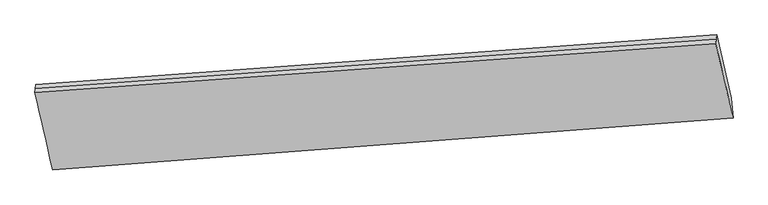
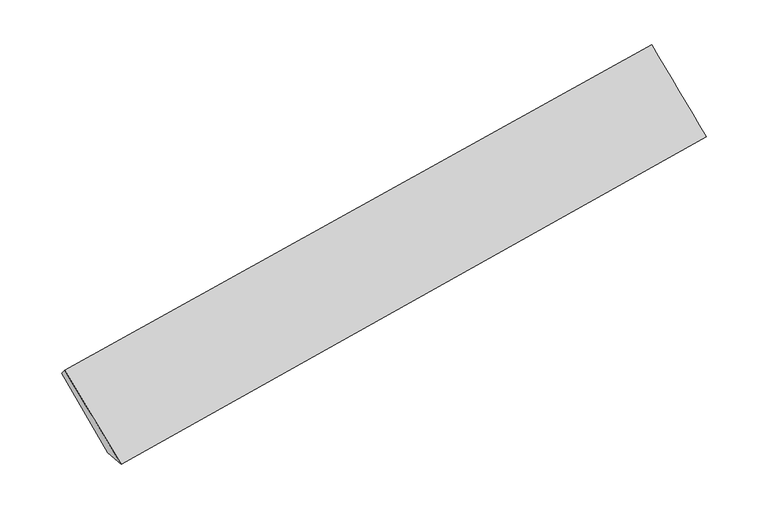
"""IFC4 building model written with IfcOpenShell, lengths in millimetres: proxy geometry."""

import ifcopenshell
import ifcopenshell.guid

model = None  # the IFC model being written
_history = None  # IfcOwnerHistory: only IFC2X3 demands one
_inside = {}  # id of a spatial element -> (the spatial element, [elements in it])
_under = {}  # id of a project, library or spatial element -> (it, [spatial elements below it])
_declared = {}  # id of a project -> (the project, [libraries it declares])
_typed = {}  # id of a type object -> (the type object, [elements of that type])
_made_of = {}  # id of a material, layer set ... -> (it, [elements and type objects made of it])


def new_model(schema):
    """Start an empty IFC model of exactly this schema.

    Asked for "IFC4X3", IfcOpenShell would pick the latest addendum, in which some entities
    have other attributes; the version numbers below select the first issue.
    IFC2X3 requires an IfcOwnerHistory on every rooted entity: one is made here for all.
    """
    global model, _history
    if schema == "IFC4X3":
        model = ifcopenshell.file(schema_version=(4, 3, 0, 0))
    else:
        model = ifcopenshell.file(schema=schema)
    _inside.clear()
    _under.clear()
    _declared.clear()
    _typed.clear()
    _made_of.clear()
    _history = None
    if model.schema == "IFC2X3":
        org = make("IfcOrganization", Name="unknown")
        user = make(
            "IfcPersonAndOrganization",
            ThePerson=make("IfcPerson", FamilyName="unknown"),
            TheOrganization=org,
        )
        app = make(
            "IfcApplication",
            ApplicationDeveloper=org,
            Version="unknown",
            ApplicationFullName="unknown",
            ApplicationIdentifier="unknown",
        )
        _history = make(
            "IfcOwnerHistory",
            OwningUser=user,
            OwningApplication=app,
            ChangeAction="ADDED",
            CreationDate=0,
        )
    return model


def make(cls, **values):
    """One entity of the class cls with the attributes given. An attribute that is None is left unset."""
    return model.create_entity(
        cls, **{name: value for name, value in values.items() if value is not None}
    )


def rooted(cls, **values):
    """An entity with a GlobalId (a new one), such as an element, a storey or a relation."""
    return make(cls, GlobalId=ifcopenshell.guid.new(), OwnerHistory=_history, **values)


def si_unit(unit_type, name, prefix=None):
    """IfcSIUnit, for example si_unit("LENGTHUNIT", "METRE", prefix="MILLI")."""
    return make("IfcSIUnit", UnitType=unit_type, Prefix=prefix, Name=name)


def assignment(units):
    """IfcUnitAssignment: the units of a project."""
    return None if units is None else make("IfcUnitAssignment", Units=units)


def point(xyz):
    """IfcCartesianPoint."""
    return None if xyz is None else make("IfcCartesianPoint", Coordinates=xyz)


def direction(xyz):
    """IfcDirection."""
    return None if xyz is None else make("IfcDirection", DirectionRatios=xyz)


def frame(location, z_axis=None, x_axis=None):
    """IfcAxis2Placement3D, a coordinate frame: its origin and axes. An axis left out is left unset."""
    return make(
        "IfcAxis2Placement3D",
        Location=point(location),
        Axis=direction(z_axis),
        RefDirection=direction(x_axis),
    )


def origin():
    """The frame at (0, 0, 0) with its axes left unset."""
    return frame((0.0, 0.0, 0.0))


def place(relative_to, where):
    """IfcLocalPlacement: puts the frame where relative to a parent placement (None: the world)."""
    return make(
        "IfcLocalPlacement", PlacementRelTo=relative_to, RelativePlacement=where
    )


def context(
    kind, dimensions, precision=None, world=None, true_north=None, identifier=None
):
    """IfcGeometricRepresentationContext, for example the 3D "Model" context."""
    return make(
        "IfcGeometricRepresentationContext",
        ContextIdentifier=identifier,
        ContextType=kind,
        CoordinateSpaceDimension=dimensions,
        Precision=precision,
        WorldCoordinateSystem=world,
        TrueNorth=true_north,
    )


def project(units=None, contexts=None):
    """IfcProject with its units and contexts."""
    return rooted(
        "IfcProject",
        Name="project",
        RepresentationContexts=contexts,
        UnitsInContext=assignment(units),
    )


def spatial(cls, under=None, at=None, **own):
    """A site, building, storey or space (cls), placed at a placement, below another one or the project."""
    s = rooted(cls, ObjectPlacement=at, **own)
    if under is not None:
        _under.setdefault(under.id(), (under, []))[1].append(s)
    return s


def shape(context_of_items, identifier, shape_type, items):
    """IfcShapeRepresentation: the items that make up one representation, for example the "Body"."""
    return make(
        "IfcShapeRepresentation",
        ContextOfItems=context_of_items,
        RepresentationIdentifier=identifier,
        RepresentationType=shape_type,
        Items=items,
    )


def source(mapping_origin, context_of_items, identifier, shape_type, items):
    """IfcRepresentationMap: a shape defined once, which mapped items show again and again."""
    return make(
        "IfcRepresentationMap",
        MappingOrigin=mapping_origin,
        MappedRepresentation=shape(context_of_items, identifier, shape_type, items),
    )


def transform(
    local_origin,
    x_axis=None,
    y_axis=None,
    z_axis=None,
    scale=None,
    scale2=None,
    scale3=None,
    uniform=True,
):
    """IfcCartesianTransformationOperator3D, or its non-uniform kind. x_axis, y_axis, z_axis: its Axis1, 2, 3."""
    if uniform:
        return make(
            "IfcCartesianTransformationOperator3D",
            Axis1=direction(x_axis),
            Axis2=direction(y_axis),
            LocalOrigin=point(local_origin),
            Scale=scale,
            Axis3=direction(z_axis),
        )
    return make(
        "IfcCartesianTransformationOperator3DnonUniform",
        Axis1=direction(x_axis),
        Axis2=direction(y_axis),
        LocalOrigin=point(local_origin),
        Scale=scale,
        Axis3=direction(z_axis),
        Scale2=scale2,
        Scale3=scale3,
    )


def mapped(mapping_source, mapping_target):
    """IfcMappedItem: shows the shape of a source again, moved by a transform."""
    return make(
        "IfcMappedItem", MappingSource=mapping_source, MappingTarget=mapping_target
    )


def made_of(thing, what):
    """Note that an element or type object is made of a material, layer set ...; save() writes the relation."""
    if what is not None:
        _made_of.setdefault(what.id(), (what, []))[1].append(thing)
    return thing


def element(
    cls,
    number,
    at=None,
    inside=None,
    cuts=None,
    type_object=None,
    material=None,
    context=None,
    identifier="Body",
    shape_type=None,
    held_by="IfcProductDefinitionShape",
    body=None,
    shapes=None,
    **own,
):
    """One element of the class cls, such as IfcWall. Its Tag is "e" and its number.

    at: its placement. inside: the storey or other place that contains it. cuts: it is an
    opening in that element (IfcRelVoidsElement). A single representation is given by context,
    identifier, shape_type and body (its items); several are given by shapes. held_by: the class
    of the entity that holds the representations. save() writes the other relations.
    """
    e = rooted(cls, Tag="e%d" % number, ObjectPlacement=at, **own)
    if body is not None:
        shapes = [shape(context, identifier, shape_type, body)]
    if shapes is not None:
        e.Representation = make(held_by, Representations=shapes)
    if inside is not None:
        _inside.setdefault(inside.id(), (inside, []))[1].append(e)
    if cuts is not None:
        rooted(
            "IfcRelVoidsElement", RelatingBuildingElement=cuts, RelatedOpeningElement=e
        )
    if type_object is not None:
        _typed.setdefault(type_object.id(), (type_object, []))[1].append(e)
    return made_of(e, material)


def aggregate(whole, parts):
    """IfcRelAggregates: a whole, such as a stair, and the parts it consists of."""
    return rooted("IfcRelAggregates", RelatingObject=whole, RelatedObjects=parts)


def save(model, path):
    """Write the relations noted so far, then the file.

    IfcRelAggregates (storeys below a building ...), IfcRelContainedInSpatialStructure (elements
    in a storey), IfcRelDefinesByType, IfcRelAssociatesMaterial and IfcRelDeclares: one each for
    every whole, place, type object, material and project.
    """
    for whole, parts in _under.values():
        aggregate(whole, parts)
    for where, things in _inside.values():
        rooted(
            "IfcRelContainedInSpatialStructure",
            RelatedElements=things,
            RelatingStructure=where,
        )
    for kind, things in _typed.values():
        rooted("IfcRelDefinesByType", RelatedObjects=things, RelatingType=kind)
    for what, things in _made_of.values():
        rooted("IfcRelAssociatesMaterial", RelatedObjects=things, RelatingMaterial=what)
    for by, libraries in _declared.values():
        rooted("IfcRelDeclares", RelatingContext=by, RelatedDefinitions=libraries)
    model.write(path)


def plane_surface(at):
    """IfcPlane: the flat surface through the origin of the frame at, square to its z axis."""
    return make("IfcPlane", Position=at)


def spline_surface(u_degree, v_degree, points, u_multiplicities, v_multiplicities, u_knots, v_knots, weights=None):
    """IfcBSplineSurfaceWithKnots; with weights, IfcRationalBSplineSurfaceWithKnots. points: one row for each step in u."""
    own = dict(
        UDegree=u_degree,
        VDegree=v_degree,
        ControlPointsList=[[point(p) for p in row] for row in points],
        SurfaceForm="UNSPECIFIED",
        UClosed=False,
        VClosed=False,
        SelfIntersect=False,
        UMultiplicities=u_multiplicities,
        VMultiplicities=v_multiplicities,
        UKnots=u_knots,
        VKnots=v_knots,
        KnotSpec="UNSPECIFIED",
    )
    if weights is None:
        return make("IfcBSplineSurfaceWithKnots", **own)
    return make("IfcRationalBSplineSurfaceWithKnots", WeightsData=weights, **own)


def advanced_brep(points, edges, surfaces, faces):
    """IfcAdvancedBrep: a solid bounded by faces that lie on surfaces and meet in shared edges.

    An edge is (start, end): straight between two places in points (the first is 0);
    or (start, end, curve); or (start, end, curve, False) where it runs against its curve.
    A face is (place in surfaces, loops), or (place, loops, False) where it looks against
    its surface's normal. A loop lists edges by number (the first is 1), with a minus sign
    where the edge is run from its end to its start. The first loop is the outer one.
    """
    corners = [point(p) for p in points]
    vertices = [make("IfcVertexPoint", VertexGeometry=c) for c in corners]
    made = []
    for start, end, *more in edges:
        made.append(
            make(
                "IfcEdgeCurve",
                EdgeStart=vertices[start],
                EdgeEnd=vertices[end],
                EdgeGeometry=more[0] if more else make("IfcPolyline", Points=[corners[start], corners[end]]),
                SameSense=more[1] if len(more) > 1 else True,
            )
        )
    hull = []
    for where, loops, *sense in faces:
        bounds = []
        for j, loop in enumerate(loops):
            ring = [make("IfcOrientedEdge", EdgeElement=made[abs(k) - 1], Orientation=k > 0) for k in loop]
            bounds.append(
                make(
                    "IfcFaceOuterBound" if j == 0 else "IfcFaceBound",
                    Bound=make("IfcEdgeLoop", EdgeList=ring),
                    Orientation=True,
                )
            )
        hull.append(make("IfcAdvancedFace", Bounds=bounds, FaceSurface=surfaces[where], SameSense=sense[0] if sense else True))
    return make("IfcAdvancedBrep", Outer=make("IfcClosedShell", CfsFaces=hull))


def generic_models_d41e99eb(model_context):
    return source(origin(), model_context, "Body", "AdvancedBrep", [
        advanced_brep(
        [(-7620.9009042, -2102.4838482, 740.212672), (-7836.4562241, -1208.0296552, 1606.677746), (1847.9369851, -497.4651107, 3225.2912532), (2059.6958853, -1396.3631242, 2383.5246738), (-7607.7371429, -2263.1119218, 736.8340119), (2071.4510455, -1541.1763022, 2381.149273), (-7594.5733817, -2423.7399953, 733.4553518), (2083.2062058, -1685.9894802, 2378.7738721), (-7847.8796552, -1317.7454523, 1726.0168916), (1835.0645512, -621.0977851, 3359.7679477), (-7842.1679396, -1262.8875537, 1666.3473188), (1841.5007682, -559.2814479, 3292.5296004)],
        [
            (0, 1),
            (1, 2),
            (2, 3),
            (3, 0),
            (4, 0),
            (3, 5),
            (5, 4),
            (6, 4),
            (5, 7),
            (7, 6),
            (8, 6),
            (7, 9),
            (9, 8),
            (10, 8),
            (9, 11),
            (11, 10),
            (1, 10),
            (11, 2),
        ],
        [
            spline_surface(1, 1, [[(-7620.9009042, -2102.4838482, 740.212672), (2059.6958853, -1396.3631242, 2383.5246738)], [(-7836.4562241, -1208.0296552, 1606.677746), (1847.9369851, -497.4651107, 3225.2912532)]], [2, 2], [2, 2], [0.0, 1.0], [0.0, 1.0]),
            spline_surface(1, 1, [[(-7607.7371429, -2263.1119218, 736.8340119), (2071.4510455, -1541.1763022, 2381.149273)], [(-7620.9009042, -2102.4838482, 740.212672), (2059.6958853, -1396.3631242, 2383.5246738)]], [2, 2], [2, 2], [0.0, 1.0], [0.0, 1.0]),
            spline_surface(1, 1, [[(-7594.5733817, -2423.7399953, 733.4553518), (2083.2062058, -1685.9894802, 2378.7738721)], [(-7607.7371429, -2263.1119218, 736.8340119), (2071.4510455, -1541.1763022, 2381.149273)]], [2, 2], [2, 2], [0.0, 1.0], [0.0, 1.0]),
            spline_surface(1, 1, [[(-7847.8796552, -1317.7454523, 1726.0168916), (1835.0645512, -621.0977851, 3359.7679477)], [(-7594.5733817, -2423.7399953, 733.4553518), (2083.2062058, -1685.9894802, 2378.7738721)]], [2, 2], [2, 2], [0.0, 1.0], [0.0, 1.0]),
            plane_surface(frame((-7845.0237974, -1290.316503, 1696.1821052), z_axis=(-0.16400956803147854, 0.733968823972811, 0.6590831715573511), x_axis=(-0.07029320321046202, -0.6751277005766119, 0.7343442336510511))),
            plane_surface(frame((-7839.3120818, -1235.4586044, 1636.5125324), z_axis=(-0.16400956803147854, 0.7339688239728107, 0.6590831715573513), x_axis=(-0.07029320321046198, -0.6751277005766122, 0.7343442336510507))),
            plane_surface(frame((1956.4759068, -1050.2288751, 2836.8394367), z_axis=(0.9832724328157907, 0.07711005738820934, 0.1650132173921342), x_axis=(0.16892044115734847, -0.7249164805883626, -0.6678038489935416))),
            plane_surface(frame((-7724.9525413, -1762.9997377, 1201.5906654), z_axis=(-0.9832724328157387, -0.07711005738806387, -0.1650132173925112), x_axis=(0.17055679153960945, -0.7077312563319464, -0.6855850418952553))),
        ],
        [
            (0, [[1, 2, 3, 4]]),
            (1, [[5, -4, 6, 7]]),
            (2, [[8, -7, 9, 10]]),
            (3, [[11, -10, 12, 13]]),
            (4, [[14, -13, 15, 16]]),
            (5, [[17, -16, 18, -2]]),
            (6, [[-12, -9, -6, -3, -18, -15]]),
            (7, [[-1, -5, -8, -11, -14, -17]]),
        ],
    ),
    ])


if __name__ == "__main__":
    model = new_model("IFC4")
    model_context = context("Model", 3, world=origin())
    ifc_project = project(units=[si_unit("LENGTHUNIT", "METRE", prefix="MILLI")], contexts=[model_context])
    site = spatial("IfcSite", under=ifc_project)
    building = spatial("IfcBuilding", under=site)
    placement = place(None, origin())
    generic_models_shape = generic_models_d41e99eb(model_context)
    element("IfcBuildingElementProxy", 1, Name="Generic Models", at=placement, inside=building, context=model_context, shape_type="MappedRepresentation", body=[
        mapped(generic_models_shape, transform((0.0, 0.0, 0.0), x_axis=(1.0, 0.0, 0.0), y_axis=(0.0, 1.0, 0.0), z_axis=(0.0, 0.0, 1.0))),
    ])
    save(model, "model.ifc")
